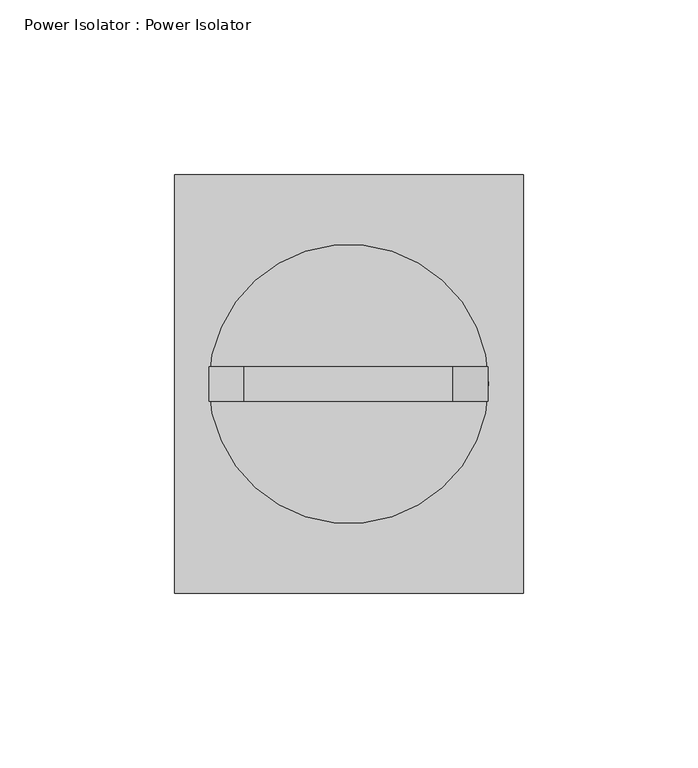
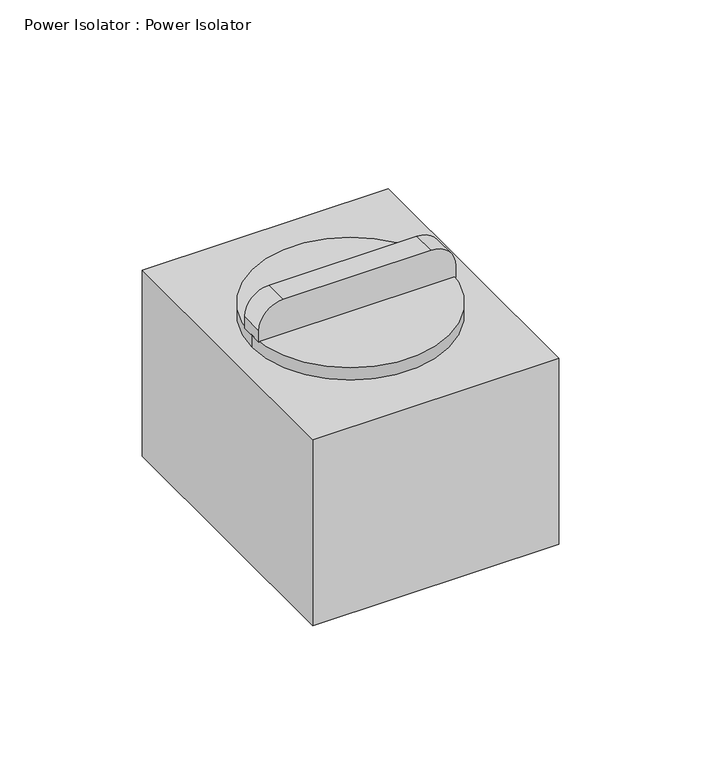
"""IFC4 building model written with IfcOpenShell, lengths in millimetres: proxy geometry, Power Isolator : Power Isolator."""

from ifc_helpers import new_model, si_unit, point, frame, frame_2d, origin, place, context, project, spatial, polyline, circle_curve, trimmed, segment, composite_curve, outline, extrude, source, transform, mapped, element, save
from ifc_brep_helpers import plane_surface, revolved_surface, advanced_brep


def power_isolator_power_isolator_834cbda9(model_context):
    return source(origin(), model_context, "Body", "SolidModel", [
        extrude(outline(composite_curve([segment(trimmed(circle_curve(frame_2d((0.0, 60.0)), 40.0), [point((-40.0, 60.0))], [point((40.0, 60.0))], False, "CARTESIAN"), True, "CONTINUOUS"), segment(trimmed(circle_curve(frame_2d((0.0, 60.0)), 40.0), [point((40.0, 60.0))], [point((-40.0, 60.0))], False, "CARTESIAN"), True, "CONTINUOUS")], self_intersect=False)), frame((0.0, 0.0, 55.0), z_axis=(0.0, 0.0, 1.0), x_axis=(1.0, 0.0, 0.0)), (0.0, 0.0, 1.0), 30.0),
        advanced_brep(
        [(50.0, 120.0, 80.0), (-50.0, 120.0, 80.0), (-50.0, 0.0, 80.0), (50.0, 0.0, 80.0), (40.0, 60.0, 80.0), (-40.0, 60.0, 80.0), (50.0, 120.0, 0.0), (50.0, 0.0, 0.0), (-50.0, 0.0, 0.0), (-50.0, 120.0, 0.0), (-40.0, 60.0, 55.0), (40.0, 60.0, 55.0)],
        [
            (0, 1),
            (1, 2),
            (2, 3),
            (3, 0),
            (4, 5, circle_curve(frame((0.0, 60.0, 80.0), z_axis=(0.0, 0.0, -1.0), x_axis=(1.0, 0.0, 0.0)), 40.0)),
            (5, 4, circle_curve(frame((0.0, 60.0, 80.0), z_axis=(0.0, 0.0, -1.0), x_axis=(1.0, 0.0, 0.0)), 40.0)),
            (6, 7),
            (7, 8),
            (8, 9),
            (9, 6),
            (0, 6),
            (9, 1),
            (8, 2),
            (7, 3),
            (10, 11, circle_curve(frame((0.0, 60.0, 55.0), z_axis=(0.0, 0.0, 1.0), x_axis=(1.0, 0.0, 0.0)), 40.0)),
            (11, 10, circle_curve(frame((0.0, 60.0, 55.0), z_axis=(0.0, 0.0, 1.0), x_axis=(1.0, 0.0, 0.0)), 40.0)),
            (10, 5),
            (4, 11),
        ],
        [
            plane_surface(frame((-50.0, 120.0, 80.0), z_axis=(0.0, 0.0, 1.0), x_axis=(-1.0, 0.0, 0.0))),
            plane_surface(frame((-50.0, 120.0, 0.0), z_axis=(0.0, 0.0, -1.0), x_axis=(1.0, 0.0, 0.0))),
            plane_surface(frame((50.0, 120.0, 80.0), z_axis=(0.0, 1.0, 0.0), x_axis=(0.0, 0.0, -1.0))),
            plane_surface(frame((-50.0, 120.0, 80.0), z_axis=(-1.0, 0.0, 0.0), x_axis=(0.0, 0.0, -1.0))),
            plane_surface(frame((-50.0, 0.0, 80.0), z_axis=(0.0, -1.0, 0.0), x_axis=(0.0, 0.0, -1.0))),
            plane_surface(frame((50.0, 0.0, 80.0), z_axis=(1.0, 0.0, 0.0), x_axis=(0.0, 0.0, -1.0))),
            plane_surface(frame((40.0, 60.0, 55.0), z_axis=(0.0, 0.0, 1.0), x_axis=(0.0, -1.0, 0.0))),
            revolved_surface(polyline([(40.0, 60.0, 55.0), (40.0, 60.0, 80.0)]), (0.0, 60.0, 80.0), (0.0, 0.0, -1.0)),
        ],
        [
            (0, [[1, 2, 3, 4], [5, 6]]),
            (1, [[7, 8, 9, 10]]),
            (2, [[-1, 11, -10, 12]]),
            (3, [[-2, -12, -9, 13]]),
            (4, [[-3, -13, -8, 14]]),
            (5, [[-4, -14, -7, -11]]),
            (6, [[15, 16]]),
            (7, [[-15, 17, -5, 18]]),
            (7, [[-16, -18, -6, -17]]),
        ],
    ),
        extrude(outline(composite_curve([segment(polyline([(85.0, -40.09368), (85.0, 39.90632), (90.0, 39.90632)]), True, "CONTINUOUS"), segment(trimmed(circle_curve(frame_2d((90.0, 29.90632)), 10.0), [point((90.0, 39.90632))], [point((100.0, 29.90632))], False, "CARTESIAN"), True, "CONTINUOUS"), segment(polyline([(100.0, 29.90632), (100.0, -30.09368)]), True, "CONTINUOUS"), segment(trimmed(circle_curve(frame_2d((90.0, -30.09368)), 10.0), [point((100.0, -30.09368))], [point((90.0, -40.09368))], False, "CARTESIAN"), True, "CONTINUOUS"), segment(polyline([(90.0, -40.09368), (85.0, -40.09368)]), True, "CONTINUOUS")], self_intersect=False)), frame((0.0, 55.0, 0.0), z_axis=(0.0, 1.0, 0.0), x_axis=(0.0, 0.0, 1.0)), (0.0, 0.0, 1.0), 10.0),
    ])


if __name__ == "__main__":
    model = new_model("IFC4")
    model_context = context("Model", 3, world=origin())
    ifc_project = project(units=[si_unit("LENGTHUNIT", "METRE", prefix="MILLI")], contexts=[model_context])
    site = spatial("IfcSite", under=ifc_project)
    building = spatial("IfcBuilding", under=site)
    placement = place(None, origin())
    power_isolator_power_isolator_shape = power_isolator_power_isolator_834cbda9(model_context)
    element("IfcBuildingElementProxy", 1, Name="Power Isolator : Power Isolator", ObjectType="Power Isolator : Power Isolator", at=placement, inside=building, context=model_context, shape_type="MappedRepresentation", body=[
        mapped(power_isolator_power_isolator_shape, transform((0.0, 0.0, 0.0), x_axis=(1.0, 0.0, 0.0), y_axis=(0.0, 1.0, 0.0), z_axis=(0.0, 0.0, 1.0))),
    ])
    save(model, "model.ifc")
